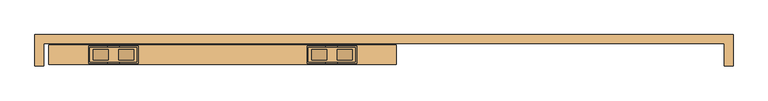
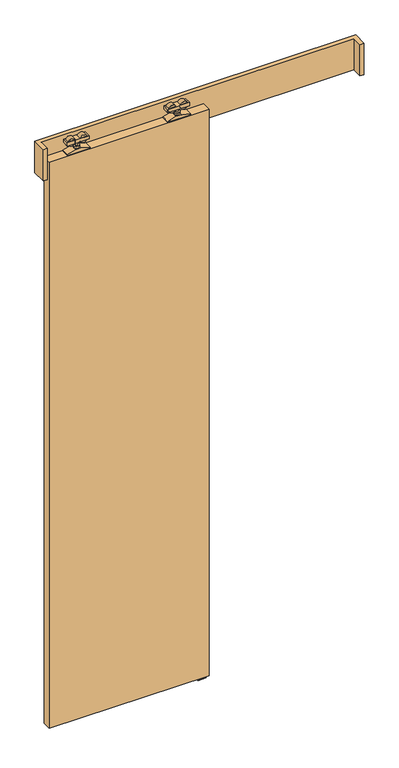
"""IFC4 building model written with IfcOpenShell, lengths in millimetres: door geometry."""

from ifc_helpers import new_model, si_unit, point, frame, frame_2d, origin, place, context, project, spatial, polyline, circle_curve, trimmed, segment, composite_curve, outline, extrude, source, transform, mapped, element, save
from ifc_brep_helpers import plane_surface, cylinder_surface, advanced_brep


def door_7a3666c2(model_context):
    return source(origin(), model_context, "Body", "SolidModel", [
        advanced_brep(
        [(-520.0, -14.2574263, 2687.3), (-425.0, -14.2574263, 2687.3), (-425.0, 14.7425737, 2687.3), (-520.0, 14.7425737, 2687.3), (-462.072332, 10.9457536, 2687.3), (-431.78306, 10.9457536, 2687.3), (-431.78306, -10.4606061, 2687.3), (-462.072332, -10.4606061, 2687.3), (-513.21694, 10.9457536, 2687.3), (-482.927668, 10.9457536, 2687.3), (-482.927668, -10.4606061, 2687.3), (-513.21694, -10.4606061, 2687.3), (-520.0, -14.2574263, 2672.3), (-520.0, 14.7425737, 2672.3), (-425.0, 14.7425737, 2672.3), (-425.0, -14.2574263, 2672.3), (-431.78306, 10.9457536, 2672.3), (-462.072332, 10.9457536, 2672.3), (-462.072332, -10.4606061, 2672.3), (-431.78306, -10.4606061, 2672.3), (-482.927668, 10.9457536, 2672.3), (-513.21694, 10.9457536, 2672.3), (-513.21694, -10.4606061, 2672.3), (-482.927668, -10.4606061, 2672.3), (-467.55, 0.5, 2672.3), (-477.45, 0.5, 2672.3), (-467.55, 0.5, 2653.8), (-477.45, 0.5, 2653.8)],
        [
            (0, 1),
            (1, 2),
            (2, 3),
            (3, 0),
            (4, 5),
            (5, 6),
            (6, 7),
            (7, 4),
            (8, 9),
            (9, 10),
            (10, 11),
            (11, 8),
            (12, 13),
            (13, 14),
            (14, 15),
            (15, 12),
            (16, 17),
            (17, 18),
            (18, 19),
            (19, 16),
            (20, 21),
            (21, 22),
            (22, 23),
            (23, 20),
            (24, 25, circle_curve(frame((-472.5, 0.5, 2672.3), z_axis=(0.0, 0.0, 1.0), x_axis=(-1.0, 0.0, 0.0)), 4.95)),
            (25, 24, circle_curve(frame((-472.5, 0.5, 2672.3), z_axis=(0.0, 0.0, 1.0), x_axis=(-1.0, 0.0, 0.0)), 4.95)),
            (0, 12),
            (15, 1),
            (14, 2),
            (13, 3),
            (4, 5, circle_curve(frame((-446.927696, 10.9457536, 2679.8), z_axis=(0.0, 1.0, 0.0), x_axis=(-1.0, 0.0, 0.0)), 16.9)),
            (16, 17, circle_curve(frame((-446.927696, 10.9457536, 2679.8), z_axis=(0.0, 1.0, 0.0), x_axis=(-1.0, 0.0, 0.0)), 16.9)),
            (6, 7, circle_curve(frame((-446.927696, -10.4606061, 2679.8), z_axis=(0.0, -1.0, 0.0), x_axis=(-1.0, 0.0, 0.0)), 16.9)),
            (18, 19, circle_curve(frame((-446.927696, -10.4606061, 2679.8), z_axis=(0.0, -1.0, 0.0), x_axis=(-1.0, 0.0, 0.0)), 16.9)),
            (8, 9, circle_curve(frame((-498.072304, 10.9457536, 2679.8), z_axis=(0.0, 1.0, 0.0), x_axis=(1.0, 0.0, 0.0)), 16.9)),
            (20, 21, circle_curve(frame((-498.072304, 10.9457536, 2679.8), z_axis=(0.0, 1.0, 0.0), x_axis=(1.0, 0.0, 0.0)), 16.9)),
            (10, 11, circle_curve(frame((-498.072304, -10.4606061, 2679.8), z_axis=(0.0, -1.0, 0.0), x_axis=(1.0, 0.0, 0.0)), 16.9)),
            (22, 23, circle_curve(frame((-498.072304, -10.4606061, 2679.8), z_axis=(0.0, -1.0, 0.0), x_axis=(1.0, 0.0, 0.0)), 16.9)),
            (26, 27, circle_curve(frame((-472.5, 0.5, 2653.8), z_axis=(0.0, 0.0, -1.0), x_axis=(-1.0, 0.0, 0.0)), 4.95)),
            (27, 26, circle_curve(frame((-472.5, 0.5, 2653.8), z_axis=(0.0, 0.0, -1.0), x_axis=(-1.0, 0.0, 0.0)), 4.95)),
            (27, 25),
            (24, 26),
        ],
        [
            plane_surface(frame((-425.0, -14.2574263, 2687.3), z_axis=(0.0, 0.0, 1.0), x_axis=(1.0, 0.0, 0.0))),
            plane_surface(frame((-425.0, -14.2574263, 2672.3), z_axis=(0.0, 0.0, -1.0), x_axis=(-1.0, 0.0, 0.0))),
            plane_surface(frame((-520.0, -14.2574263, 2687.3), z_axis=(0.0, -1.0, 0.0), x_axis=(0.0, 0.0, -1.0))),
            plane_surface(frame((-425.0, -14.2574263, 2687.3), z_axis=(1.0, 0.0, 0.0), x_axis=(0.0, 0.0, -1.0))),
            plane_surface(frame((-425.0, 14.7425737, 2687.3), z_axis=(0.0, 1.0, 0.0), x_axis=(0.0, 0.0, -1.0))),
            plane_surface(frame((-520.0, 14.7425737, 2687.3), z_axis=(-1.0, 0.0, 0.0), x_axis=(0.0, 0.0, -1.0))),
            plane_surface(frame((-463.827696, 10.9457536, 2679.8), z_axis=(0.0, 1.0, 0.0), x_axis=(0.0, 0.0, 1.0))),
            plane_surface(frame((-463.827696, -10.4606061, 2679.8), z_axis=(0.0, -1.0, 0.0), x_axis=(0.0, 0.0, -1.0))),
            cylinder_surface(frame((-446.927696, -10.4606061, 2679.8), z_axis=(0.0, 1.0, 0.0), x_axis=(-1.0, 0.0, 0.0)), 16.9),
            plane_surface(frame((-481.172304, 10.9457536, 2679.8), z_axis=(0.0, 1.0, 0.0), x_axis=(0.0, 0.0, -1.0))),
            plane_surface(frame((-481.172304, -10.4606061, 2679.8), z_axis=(0.0, -1.0, 0.0), x_axis=(0.0, 0.0, 1.0))),
            cylinder_surface(frame((-498.072304, -10.4606061, 2679.8), z_axis=(0.0, 1.0, 0.0), x_axis=(1.0, 0.0, 0.0)), 16.9),
            plane_surface(frame((-477.45, 0.5, 2653.8), z_axis=(0.0, 0.0, -1.0), x_axis=(0.0, 1.0, 0.0))),
            cylinder_surface(frame((-472.5, 0.5, 2653.8), z_axis=(0.0, 0.0, 1.0), x_axis=(-1.0, 0.0, 0.0)), 4.95),
        ],
        [
            (0, [[1, 2, 3, 4], [5, 6, 7, 8], [9, 10, 11, 12]]),
            (1, [[13, 14, 15, 16], [17, 18, 19, 20], [21, 22, 23, 24], [25, 26]]),
            (2, [[-1, 27, -16, 28]]),
            (3, [[-2, -28, -15, 29]]),
            (4, [[-3, -29, -14, 30]]),
            (5, [[-4, -30, -13, -27]]),
            (6, [[31, -5]]),
            (6, [[32, -17]]),
            (7, [[33, -7]]),
            (7, [[34, -19]]),
            (8, [[-32, -20, -34, -18]]),
            (8, [[-31, -8, -33, -6]]),
            (9, [[35, -9]]),
            (9, [[36, -21]]),
            (10, [[37, -11]]),
            (10, [[38, -23]]),
            (11, [[-36, -24, -38, -22]]),
            (11, [[-35, -12, -37, -10]]),
            (12, [[39, 40]]),
            (13, [[-40, 41, -25, 42]]),
            (13, [[-39, -42, -26, -41]]),
        ],
    ),
        extrude(outline(composite_curve([segment(trimmed(circle_curve(frame_2d((-472.5000356, 0.1875)), 12.254021), [point((-460.2460147, 0.1875))], [point((-484.7540566, 0.1875))], False, "CARTESIAN"), True, "CONTINUOUS"), segment(trimmed(circle_curve(frame_2d((-472.5000356, 0.1875)), 12.254021), [point((-484.7540566, 0.1875))], [point((-460.2460147, 0.1875))], False, "CARTESIAN"), True, "CONTINUOUS")], self_intersect=False)), frame((0.0, 0.0, 2645.0), z_axis=(0.0, 0.0, 1.0), x_axis=(1.0, 0.0, 0.0)), (0.0, 0.0, 1.0), 8.8),
        extrude(outline(polyline([(2631.0, -522.5), (2631.0, -422.5), (2634.8, -422.5), (2645.0, -460.25), (2645.0, -484.75), (2634.8, -522.5), (2631.0, -522.5)])), frame((0.0, -17.2574263, 0.0), z_axis=(0.0, 1.0, 0.0), x_axis=(0.0, 0.0, 1.0)), (0.0, 0.0, 1.0), 35.0),
        advanced_brep(
        [(15.0, -14.2574263, 2687.3), (15.0, 14.7425737, 2687.3), (-80.0, 14.7425737, 2687.3), (-80.0, -14.2574263, 2687.3), (-42.927668, 10.9457536, 2687.3), (-42.927668, -10.4606061, 2687.3), (-73.21694, -10.4606061, 2687.3), (-73.21694, 10.9457536, 2687.3), (8.21694, 10.9457536, 2687.3), (8.21694, -10.4606061, 2687.3), (-22.072332, -10.4606061, 2687.3), (-22.072332, 10.9457536, 2687.3), (15.0, -14.2574263, 2672.3), (-80.0, -14.2574263, 2672.3), (-80.0, 14.7425737, 2672.3), (15.0, 14.7425737, 2672.3), (-73.21694, 10.9457536, 2672.3), (-73.21694, -10.4606061, 2672.3), (-42.927668, -10.4606061, 2672.3), (-42.927668, 10.9457536, 2672.3), (-22.072332, 10.9457536, 2672.3), (-22.072332, -10.4606061, 2672.3), (8.21694, -10.4606061, 2672.3), (8.21694, 10.9457536, 2672.3), (-37.45, 0.5, 2672.3), (-27.55, 0.5, 2672.3), (-37.45, 0.5, 2653.8), (-27.55, 0.5, 2653.8)],
        [
            (0, 1),
            (1, 2),
            (2, 3),
            (3, 0),
            (4, 5),
            (5, 6),
            (6, 7),
            (7, 4),
            (8, 9),
            (9, 10),
            (10, 11),
            (11, 8),
            (12, 13),
            (13, 14),
            (14, 15),
            (15, 12),
            (16, 17),
            (17, 18),
            (18, 19),
            (19, 16),
            (20, 21),
            (21, 22),
            (22, 23),
            (23, 20),
            (24, 25, circle_curve(frame((-32.5, 0.5, 2672.3), z_axis=(0.0, 0.0, 1.0), x_axis=(1.0, 0.0, 0.0)), 4.95)),
            (25, 24, circle_curve(frame((-32.5, 0.5, 2672.3), z_axis=(0.0, 0.0, 1.0), x_axis=(1.0, 0.0, 0.0)), 4.95)),
            (3, 13),
            (12, 0),
            (2, 14),
            (1, 15),
            (7, 4, circle_curve(frame((-58.072304, 10.9457536, 2679.8), z_axis=(0.0, 1.0, 0.0), x_axis=(1.0, 0.0, 0.0)), 16.9)),
            (19, 16, circle_curve(frame((-58.072304, 10.9457536, 2679.8), z_axis=(0.0, 1.0, 0.0), x_axis=(1.0, 0.0, 0.0)), 16.9)),
            (5, 6, circle_curve(frame((-58.072304, -10.4606061, 2679.8), z_axis=(0.0, -1.0, 0.0), x_axis=(1.0, 0.0, 0.0)), 16.9)),
            (17, 18, circle_curve(frame((-58.072304, -10.4606061, 2679.8), z_axis=(0.0, -1.0, 0.0), x_axis=(1.0, 0.0, 0.0)), 16.9)),
            (11, 8, circle_curve(frame((-6.927696, 10.9457536, 2679.8), z_axis=(0.0, 1.0, 0.0), x_axis=(-1.0, 0.0, 0.0)), 16.9)),
            (23, 20, circle_curve(frame((-6.927696, 10.9457536, 2679.8), z_axis=(0.0, 1.0, 0.0), x_axis=(-1.0, 0.0, 0.0)), 16.9)),
            (9, 10, circle_curve(frame((-6.927696, -10.4606061, 2679.8), z_axis=(0.0, -1.0, 0.0), x_axis=(-1.0, 0.0, 0.0)), 16.9)),
            (21, 22, circle_curve(frame((-6.927696, -10.4606061, 2679.8), z_axis=(0.0, -1.0, 0.0), x_axis=(-1.0, 0.0, 0.0)), 16.9)),
            (26, 27, circle_curve(frame((-32.5, 0.5, 2653.8), z_axis=(0.0, 0.0, -1.0), x_axis=(1.0, 0.0, 0.0)), 4.95)),
            (27, 26, circle_curve(frame((-32.5, 0.5, 2653.8), z_axis=(0.0, 0.0, -1.0), x_axis=(1.0, 0.0, 0.0)), 4.95)),
            (26, 24),
            (25, 27),
        ],
        [
            plane_surface(frame((-80.0, -14.2574263, 2687.3), z_axis=(0.0, 0.0, 1.0), x_axis=(-1.0, 0.0, 0.0))),
            plane_surface(frame((-80.0, -14.2574263, 2672.3), z_axis=(0.0, 0.0, -1.0), x_axis=(1.0, 0.0, 0.0))),
            plane_surface(frame((15.0, -14.2574263, 2687.3), z_axis=(0.0, -1.0, 0.0), x_axis=(0.0, 0.0, -1.0))),
            plane_surface(frame((-80.0, -14.2574263, 2687.3), z_axis=(-1.0, 0.0, 0.0), x_axis=(0.0, 0.0, -1.0))),
            plane_surface(frame((-80.0, 14.7425737, 2687.3), z_axis=(0.0, 1.0, 0.0), x_axis=(0.0, 0.0, -1.0))),
            plane_surface(frame((15.0, 14.7425737, 2687.3), z_axis=(1.0, 0.0, 0.0), x_axis=(0.0, 0.0, -1.0))),
            plane_surface(frame((-41.172304, 10.9457536, 2679.8), z_axis=(0.0, 1.0, 0.0), x_axis=(0.0, 0.0, 1.0))),
            plane_surface(frame((-41.172304, -10.4606061, 2679.8), z_axis=(0.0, -1.0, 0.0), x_axis=(0.0, 0.0, -1.0))),
            cylinder_surface(frame((-58.072304, -10.4606061, 2679.8), z_axis=(0.0, 1.0, 0.0), x_axis=(1.0, 0.0, 0.0)), 16.9),
            plane_surface(frame((-23.827696, 10.9457536, 2679.8), z_axis=(0.0, 1.0, 0.0), x_axis=(0.0, 0.0, -1.0))),
            plane_surface(frame((-23.827696, -10.4606061, 2679.8), z_axis=(0.0, -1.0, 0.0), x_axis=(0.0, 0.0, 1.0))),
            cylinder_surface(frame((-6.927696, -10.4606061, 2679.8), z_axis=(0.0, 1.0, 0.0), x_axis=(-1.0, 0.0, 0.0)), 16.9),
            plane_surface(frame((-27.55, 0.5, 2653.8), z_axis=(0.0, 0.0, -1.0), x_axis=(0.0, 1.0, 0.0))),
            cylinder_surface(frame((-32.5, 0.5, 2653.8), z_axis=(0.0, 0.0, 1.0), x_axis=(1.0, 0.0, 0.0)), 4.95),
        ],
        [
            (0, [[1, 2, 3, 4], [5, 6, 7, 8], [9, 10, 11, 12]]),
            (1, [[13, 14, 15, 16], [17, 18, 19, 20], [21, 22, 23, 24], [25, 26]]),
            (2, [[27, -13, 28, -4]]),
            (3, [[29, -14, -27, -3]]),
            (4, [[30, -15, -29, -2]]),
            (5, [[-28, -16, -30, -1]]),
            (6, [[-8, 31]]),
            (6, [[-20, 32]]),
            (7, [[-6, 33]]),
            (7, [[-18, 34]]),
            (8, [[-19, -34, -17, -32]]),
            (8, [[-7, -33, -5, -31]]),
            (9, [[-12, 35]]),
            (9, [[-24, 36]]),
            (10, [[-10, 37]]),
            (10, [[-22, 38]]),
            (11, [[-23, -38, -21, -36]]),
            (11, [[-11, -37, -9, -35]]),
            (12, [[39, 40]]),
            (13, [[41, -26, 42, -39]]),
            (13, [[-42, -25, -41, -40]]),
        ],
    ),
        extrude(outline(composite_curve([segment(trimmed(circle_curve(frame_2d((-32.4999644, 0.1875)), 12.254021), [point((-44.7539853, 0.1875))], [point((-20.2459434, 0.1875))], False, "CARTESIAN"), True, "CONTINUOUS"), segment(trimmed(circle_curve(frame_2d((-32.4999644, 0.1875)), 12.254021), [point((-20.2459434, 0.1875))], [point((-44.7539853, 0.1875))], False, "CARTESIAN"), True, "CONTINUOUS")], self_intersect=False)), frame((0.0, 0.0, 2645.0), z_axis=(0.0, 0.0, 1.0), x_axis=(1.0, 0.0, 0.0)), (0.0, 0.0, 1.0), 8.8),
        extrude(outline(polyline([(2631.0, 17.5), (2634.8, 17.5), (2645.0, -20.25), (2645.0, -44.75), (2634.8, -82.5), (2631.0, -82.5), (2631.0, 17.5)])), frame((0.0, -17.2574263, 0.0), z_axis=(0.0, 1.0, 0.0), x_axis=(0.0, 0.0, 1.0)), (0.0, 0.0, 1.0), 35.0),
        extrude(outline(polyline([(-602.5, -19.5), (-602.5, 20.5), (97.5, 20.5), (97.5, -19.5), (-602.5, -19.5)])), frame((0.0, 0.0, 10.0), z_axis=(0.0, 0.0, 1.0), x_axis=(1.0, 0.0, 0.0)), (0.0, 0.0, 1.0), 2621.0),
        extrude(outline(polyline([(-630.5, -22.0), (-630.5, 41.0), (775.5, 41.0), (775.5, -22.0), (757.5, -22.0), (757.5, 23.0), (-612.5, 23.0), (-612.5, -22.0), (-630.5, -22.0)])), frame((0.0, 0.0, 2555.0), z_axis=(0.0, 0.0, 1.0), x_axis=(1.0, 0.0, 0.0)), (0.0, 0.0, 1.0), 145.0),
        extrude(outline(polyline([(-15.3483682, 2.0), (-1.6516318, 2.0), (-1.6516318, 26.0), (2.6516318, 26.0), (2.6516318, 2.0), (14.5, 2.0), (14.5, 0.0), (-15.3483682, 0.0), (-15.3483682, 2.0)])), frame((52.5, 0.0, 0.0), z_axis=(1.0, 0.0, 0.0), x_axis=(0.0, 1.0, 0.0)), (0.0, 0.0, 1.0), 35.0),
    ])


if __name__ == "__main__":
    model = new_model("IFC4")
    model_context = context("Model", 3, world=origin())
    ifc_project = project(units=[si_unit("LENGTHUNIT", "METRE", prefix="MILLI")], contexts=[model_context])
    site = spatial("IfcSite", under=ifc_project)
    building = spatial("IfcBuilding", under=site)
    placement = place(None, origin())
    door_shape = door_7a3666c2(model_context)
    element("IfcDoor", 1, at=placement, inside=building, context=model_context, shape_type="MappedRepresentation", body=[
        mapped(door_shape, transform((0.0, 0.0, 0.0), x_axis=(1.0, 0.0, 0.0), y_axis=(0.0, 1.0, 0.0), z_axis=(0.0, 0.0, 1.0))),
    ])
    save(model, "model.ifc")
